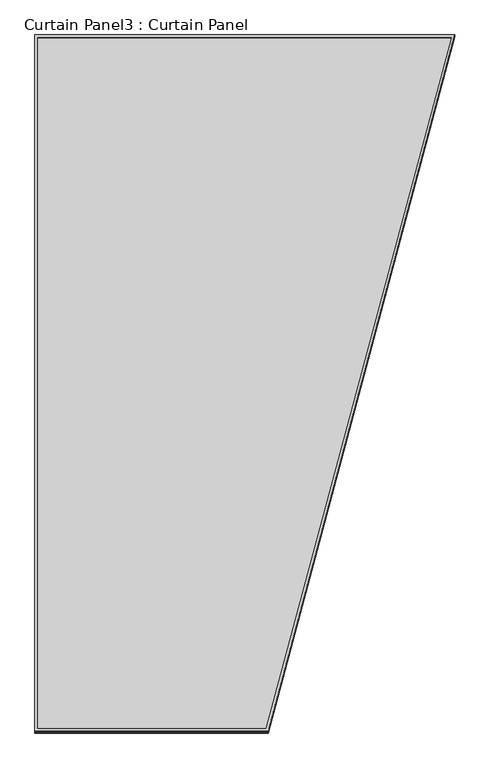
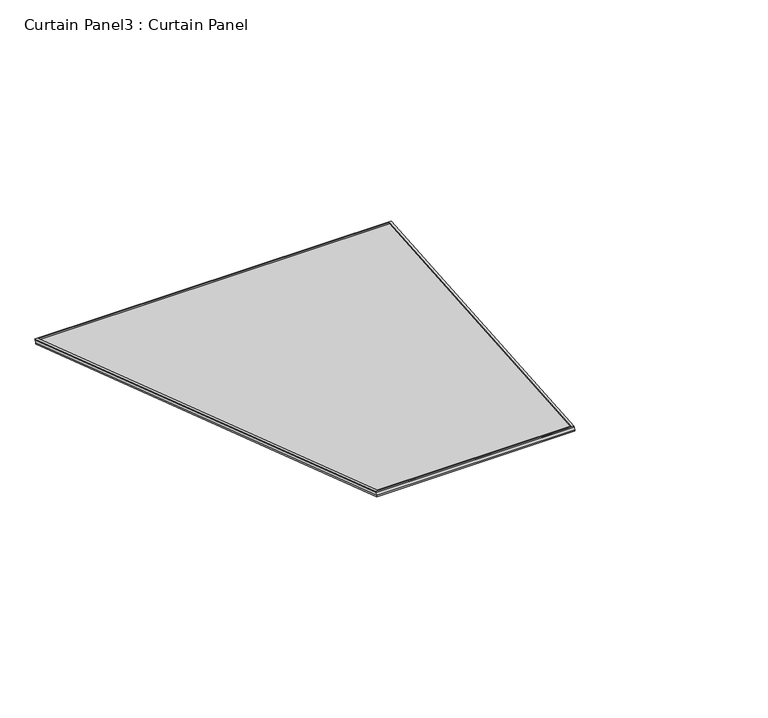
"""IFC4 building model written with IfcOpenShell, lengths in millimetres: plate geometry, Curtain Panel3 : Curtain Panel."""

from ifc_helpers import new_model, si_unit, frame, origin, place, context, project, spatial, polyline, outline, extrude, source, transform, mapped, element, save


def curtain_panel3_curtain_panel_7cf7deab(model_context):
    return source(origin(), model_context, "Body", "SweptSolid", [
        extrude(outline(polyline([(903.4000632, -2842.288964), (0.0, -2842.288964), (0.0, 0.0), (1625.9276574, 0.0), (903.4000632, -2842.288964)]), holes=[polyline([(1611.6368615, -11.1125001), (11.1125, -11.1125001), (11.1125, -2831.176464), (894.759001, -2831.176464), (1611.6368615, -11.1125001)])]), frame((13159.4641776, 10715.9380898, -9.1293236), z_axis=(0.0, 0.3161458239738153, 0.9487106081329109), x_axis=(1.0, 0.0, 0.0)), (0.0, 0.0, 1.0), 4.8132564),
        extrude(outline(polyline([(903.4000632, -2842.2889641), (0.0, -2842.2889641), (0.0, 0.0), (1625.9276574, 0.0), (903.4000632, -2842.2889641)]), holes=[polyline([(1611.6056755, -11.1367503), (11.1367503, -11.1367503), (11.1367503, -2831.1522138), (894.7401441, -2831.1522138), (1611.6056755, -11.1367503)])]), frame((13159.4641776, 10710.3594819, -25.869967), z_axis=(0.0, 0.3161458239738077, 0.9487106081329133), x_axis=(1.0, 0.0, 0.0)), (0.0, 0.0, 1.0), 4.6815583),
        extrude(outline(polyline([(12.7, 0.0), (1638.6276574, 0.0), (916.1000632, -2842.288964), (12.7, -2842.288964), (12.7, 0.0)])), frame((13146.7641776, 10711.839537, -21.428523), z_axis=(0.0, 0.3161458239738058, 0.948710608132914), x_axis=(1.0, 0.0, 0.0)), (0.0, 0.0, 1.0), 12.9641213),
    ])


if __name__ == "__main__":
    model = new_model("IFC4")
    model_context = context("Model", 3, world=origin())
    ifc_project = project(units=[si_unit("LENGTHUNIT", "METRE", prefix="MILLI")], contexts=[model_context])
    site = spatial("IfcSite", under=ifc_project)
    building = spatial("IfcBuilding", under=site)
    placement = place(None, origin())
    curtain_panel3_curtain_panel_shape = curtain_panel3_curtain_panel_7cf7deab(model_context)
    element("IfcPlate", 1, ObjectType="Curtain Panel3 : Curtain Panel", at=placement, inside=building, context=model_context, shape_type="MappedRepresentation", body=[
        mapped(curtain_panel3_curtain_panel_shape, transform((0.0, 0.0, 0.0), x_axis=(1.0, 0.0, 0.0), y_axis=(0.0, 1.0, 0.0), z_axis=(0.0, 0.0, 1.0))),
    ])
    save(model, "model.ifc")
